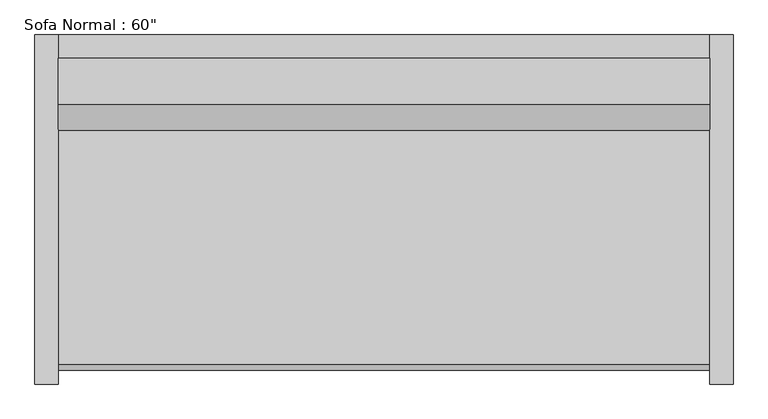
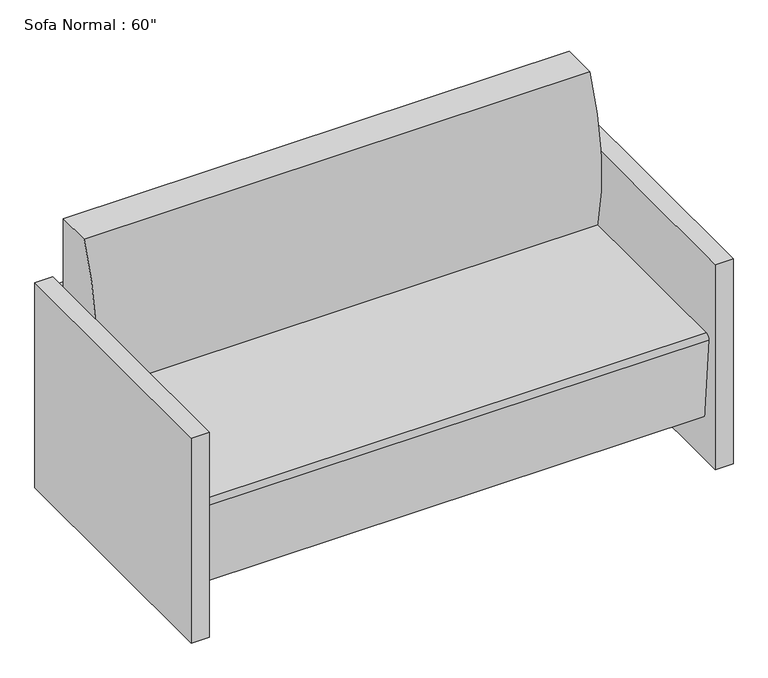
"""IFC4 building model written with IfcOpenShell, lengths in millimetres: furniture geometry."""

from ifc_helpers import new_model, si_unit, point, frame, frame_2d, origin, origin_with_axes, place, context, project, spatial, polyline, circle_curve, trimmed, segment, composite_curve, outline, extrude, source, transform, mapped, element, save


def furniture_b1a9d3ae(model_context):
    return source(origin(), model_context, "Body", "SweptSolid", [
        extrude(outline(composite_curve([segment(trimmed(circle_curve(frame_2d((977.317198, 542.5300036)), 660.4), [point((336.9764935, 381.0))], [point((374.7540984, 812.8))], False, "CARTESIAN"), True, "CONTINUOUS"), segment(polyline([(374.7540984, 812.8), (476.3540984, 812.8), (476.3540984, 127.9665467), (-184.0459016, 127.9665467), (-204.975515, 367.1931221)]), True, "CONTINUOUS"), segment(trimmed(circle_curve(frame_2d((-192.3238423, 368.3)), 12.7), [point((-204.975515, 367.1931221))], [point((-192.3238423, 381.0))], False, "CARTESIAN"), True, "CONTINUOUS"), segment(polyline([(-192.3238423, 381.0), (336.9764935, 381.0)]), True, "CONTINUOUS")], self_intersect=False)), frame((-640.8295082, 0.0, 0.0), z_axis=(1.0, 0.0, 0.0), x_axis=(0.0, 1.0, 0.0)), (0.0, 0.0, 1.0), 1422.4),
        extrude(outline(polyline([(-640.8295082, 476.3540984), (-640.8295082, 527.1540984), (781.5704918, 527.1540984), (781.5704918, 476.3540984), (-640.8295082, 476.3540984)])), frame((0.0, 0.0, 457.2), z_axis=(0.0, 0.0, 1.0), x_axis=(1.0, 0.0, 0.0)), (0.0, 0.0, 1.0), 127.0),
        extrude(outline(polyline([(-640.8295082, 476.3540984), (-640.8295082, 527.1540984), (781.5704918, 527.1540984), (781.5704918, 476.3540984), (-640.8295082, 476.3540984)])), frame((0.0, 0.0, 266.7), z_axis=(0.0, 0.0, 1.0), x_axis=(1.0, 0.0, 0.0)), (0.0, 0.0, 1.0), 127.0),
        extrude(outline(polyline([(-640.8295082, 476.3540984), (-640.8295082, 527.1540984), (781.5704918, 527.1540984), (781.5704918, 476.3540984), (-640.8295082, 476.3540984)])), frame((0.0, 0.0, 76.2), z_axis=(0.0, 0.0, 1.0), x_axis=(1.0, 0.0, 0.0)), (0.0, 0.0, 1.0), 127.0),
        extrude(outline(polyline([(-691.6295082, 527.1540984), (-640.8295082, 527.1540984), (-640.8295082, -234.8459016), (-691.6295082, -234.8459016), (-691.6295082, 527.1540984)])), origin_with_axes(), (0.0, 0.0, 1.0), 609.6),
        extrude(outline(polyline([(832.3704918, 527.1540984), (832.3704918, -234.8459016), (781.5704918, -234.8459016), (781.5704918, 527.1540984), (832.3704918, 527.1540984)])), origin_with_axes(), (0.0, 0.0, 1.0), 609.6),
    ])


if __name__ == "__main__":
    model = new_model("IFC4")
    model_context = context("Model", 3, world=origin())
    ifc_project = project(units=[si_unit("LENGTHUNIT", "METRE", prefix="MILLI")], contexts=[model_context])
    site = spatial("IfcSite", under=ifc_project)
    building = spatial("IfcBuilding", under=site)
    placement = place(None, origin())
    furniture_shape = furniture_b1a9d3ae(model_context)
    element("IfcFurniture", 1, ObjectType="Sofa Normal : 60\"", at=placement, inside=building, context=model_context, shape_type="MappedRepresentation", body=[
        mapped(furniture_shape, transform((0.0, 0.0, 0.0), x_axis=(1.0, 0.0, 0.0), y_axis=(0.0, 1.0, 0.0), z_axis=(0.0, 0.0, 1.0))),
    ])
    save(model, "model.ifc")
